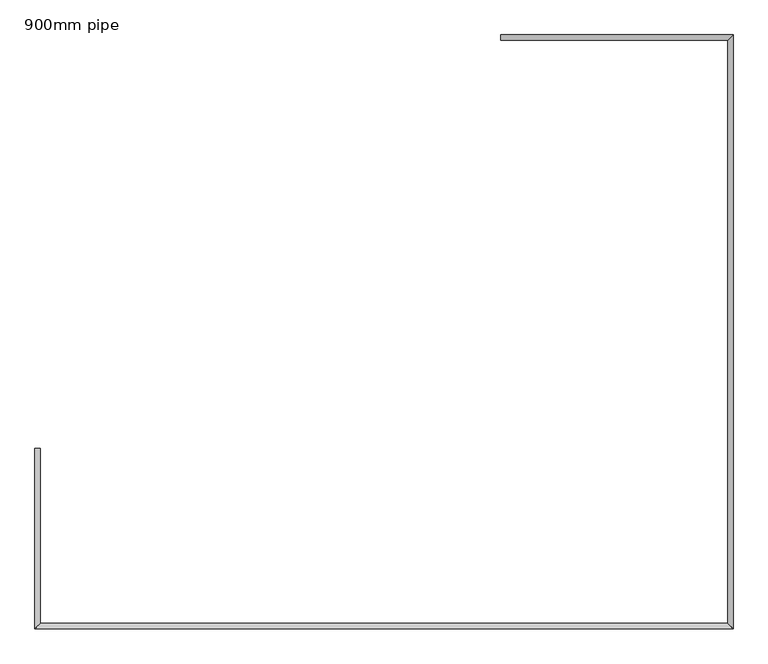
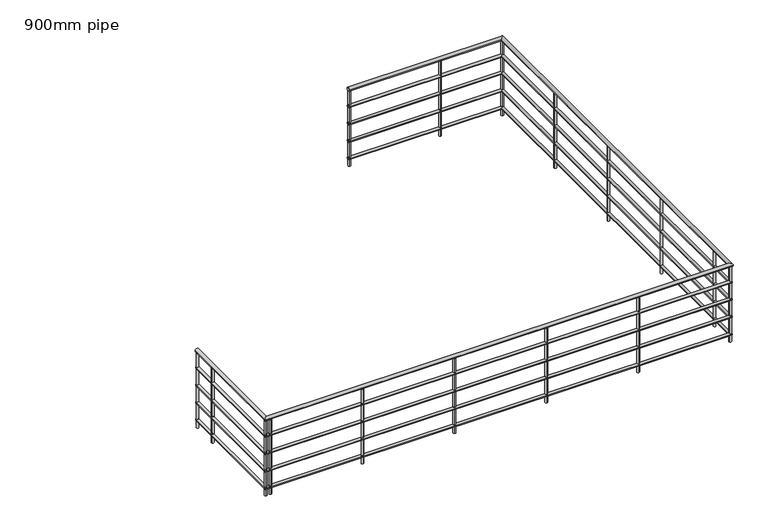
"""IFC4 building model written with IfcOpenShell, lengths in millimetres: railing geometry, 900mm pipe."""

from ifc_helpers import new_model, si_unit, point, frame, frame_2d, origin, place, context, project, spatial, circle_curve, ellipse_curve, trimmed, segment, composite_curve, outline, extrude, source, transform, mapped, element, save
from ifc_brep_helpers import plane_surface, cylinder_surface, advanced_brep


def railing_900mm_pipe_a87001c2(model_context):
    return source(origin(), model_context, "Body", "SolidModel", [
        advanced_brep(
        [(1040.1684913, -2718.8730545, 3880.0), (1040.1684913, -2758.8730545, 3880.0), (2735.1684913, -2718.8730545, 3880.0), (2695.1684913, -2758.8730545, 3880.0), (2735.1684913, -7052.8730545, 3880.0), (2695.1684913, -7012.8730545, 3880.0), (-2354.8315087, -7052.8730545, 3880.0), (-2314.8315087, -7012.8730545, 3880.0), (-2354.8315087, -5735.8730545, 3880.0), (-2314.8315087, -5735.8730545, 3880.0)],
        [
            (0, 1, circle_curve(frame((1040.1684913, -2738.8730545, 3880.0), z_axis=(-1.0, 0.0, 0.0), x_axis=(0.0, -1.0, 0.0)), 20.0)),
            (1, 0, circle_curve(frame((1040.1684913, -2738.8730545, 3880.0), z_axis=(-1.0, 0.0, 0.0), x_axis=(0.0, -1.0, 0.0)), 20.0)),
            (0, 2),
            (2, 3, ellipse_curve(frame((2715.1684913, -2738.8730545, 3880.0), z_axis=(-0.7071067811865458, 0.7071067811865492, 0.0), x_axis=(-0.7071067811865492, -0.7071067811865458, 0.0)), 28.2842712, 20.0)),
            (3, 1),
            (3, 2, ellipse_curve(frame((2715.1684913, -2738.8730545, 3880.0), z_axis=(-0.7071067811865458, 0.7071067811865492, 0.0), x_axis=(-0.7071067811865492, -0.7071067811865458, 0.0)), 28.2842712, 20.0)),
            (2, 4),
            (4, 5, ellipse_curve(frame((2715.1684913, -7032.8730545, 3880.0), z_axis=(0.7071067811865492, 0.7071067811865457, 0.0), x_axis=(-0.7071067811865456, 0.7071067811865495, 0.0)), 28.2842712, 20.0)),
            (5, 3),
            (5, 4, ellipse_curve(frame((2715.1684913, -7032.8730545, 3880.0), z_axis=(0.7071067811865492, 0.7071067811865457, 0.0), x_axis=(-0.7071067811865456, 0.7071067811865495, 0.0)), 28.2842712, 20.0)),
            (4, 6),
            (6, 7, ellipse_curve(frame((-2334.8315087, -7032.8730545, 3880.0), z_axis=(0.7071067811865457, -0.7071067811865495, 0.0), x_axis=(0.7071067811865493, 0.7071067811865457, 0.0)), 28.2842712, 20.0)),
            (7, 5),
            (7, 6, ellipse_curve(frame((-2334.8315087, -7032.8730545, 3880.0), z_axis=(0.7071067811865457, -0.7071067811865495, 0.0), x_axis=(0.7071067811865493, 0.7071067811865457, 0.0)), 28.2842712, 20.0)),
            (8, 9, circle_curve(frame((-2334.8315087, -5735.8730545, 3880.0), z_axis=(0.0, 1.0, 0.0), x_axis=(1.0, 0.0, 0.0)), 20.0)),
            (9, 8, circle_curve(frame((-2334.8315087, -5735.8730545, 3880.0), z_axis=(0.0, 1.0, 0.0), x_axis=(1.0, 0.0, 0.0)), 20.0)),
            (6, 8),
            (9, 7),
        ],
        [
            plane_surface(frame((1040.1684913, -2738.8730545, 3900.0), z_axis=(-1.0, 0.0, 0.0), x_axis=(0.0, 1.0, 0.0))),
            cylinder_surface(frame((1040.1684913, -2738.8730545, 3880.0), z_axis=(-1.0, 0.0, 0.0), x_axis=(0.0, -1.0, 0.0)), 20.0),
            cylinder_surface(frame((2715.1684913, -2738.8730545, 3880.0), z_axis=(0.0, 1.0, 0.0), x_axis=(-1.0, 0.0, 0.0)), 20.0),
            cylinder_surface(frame((2715.1684913, -7032.8730545, 3880.0), z_axis=(1.0, 0.0, 0.0), x_axis=(0.0, 1.0, 0.0)), 20.0),
            plane_surface(frame((-2334.8315087, -5735.8730545, 3900.0), z_axis=(0.0, 1.0, 0.0), x_axis=(0.0, 0.0, 1.0))),
            cylinder_surface(frame((-2334.8315087, -7032.8730545, 3880.0), z_axis=(0.0, -1.0, 0.0), x_axis=(1.0, 0.0, 0.0)), 20.0),
        ],
        [
            (0, [[1, 2]]),
            (1, [[-1, 3, 4, 5]]),
            (1, [[-2, -5, 6, -3]]),
            (2, [[-4, 7, 8, 9]]),
            (2, [[-6, -9, 10, -7]]),
            (3, [[-8, 11, 12, 13]]),
            (3, [[-10, -13, 14, -11]]),
            (4, [[15, 16]]),
            (5, [[-12, 17, -16, 18]]),
            (5, [[-14, -18, -15, -17]]),
        ],
    ),
        advanced_brep(
        [(1040.1684913, -2723.8730545, 3685.0), (1040.1684913, -2753.8730545, 3685.0), (2730.1684913, -2723.8730545, 3685.0), (2700.1684913, -2753.8730545, 3685.0), (2730.1684913, -7047.8730545, 3685.0), (2700.1684913, -7017.8730545, 3685.0), (-2349.8315087, -7047.8730545, 3685.0), (-2319.8315087, -7017.8730545, 3685.0), (-2349.8315087, -5735.8730545, 3685.0), (-2319.8315087, -5735.8730545, 3685.0)],
        [
            (0, 1, circle_curve(frame((1040.1684913, -2738.8730545, 3685.0), z_axis=(-1.0, 0.0, 0.0), x_axis=(0.0, -1.0, 0.0)), 15.0)),
            (1, 0, circle_curve(frame((1040.1684913, -2738.8730545, 3685.0), z_axis=(-1.0, 0.0, 0.0), x_axis=(0.0, -1.0, 0.0)), 15.0)),
            (0, 2),
            (2, 3, ellipse_curve(frame((2715.1684913, -2738.8730545, 3685.0), z_axis=(-0.7071067811865458, 0.7071067811865492, 0.0), x_axis=(-0.7071067811865492, -0.7071067811865458, 0.0)), 21.2132034, 15.0)),
            (3, 1),
            (3, 2, ellipse_curve(frame((2715.1684913, -2738.8730545, 3685.0), z_axis=(-0.7071067811865458, 0.7071067811865492, 0.0), x_axis=(-0.7071067811865492, -0.7071067811865458, 0.0)), 21.2132034, 15.0)),
            (2, 4),
            (4, 5, ellipse_curve(frame((2715.1684913, -7032.8730545, 3685.0), z_axis=(0.7071067811865492, 0.7071067811865457, 0.0), x_axis=(-0.7071067811865456, 0.7071067811865495, 0.0)), 21.2132034, 15.0)),
            (5, 3),
            (5, 4, ellipse_curve(frame((2715.1684913, -7032.8730545, 3685.0), z_axis=(0.7071067811865492, 0.7071067811865457, 0.0), x_axis=(-0.7071067811865456, 0.7071067811865495, 0.0)), 21.2132034, 15.0)),
            (4, 6),
            (6, 7, ellipse_curve(frame((-2334.8315087, -7032.8730545, 3685.0), z_axis=(0.7071067811865457, -0.7071067811865495, 0.0), x_axis=(0.7071067811865493, 0.7071067811865457, 0.0)), 21.2132034, 15.0)),
            (7, 5),
            (7, 6, ellipse_curve(frame((-2334.8315087, -7032.8730545, 3685.0), z_axis=(0.7071067811865457, -0.7071067811865495, 0.0), x_axis=(0.7071067811865493, 0.7071067811865457, 0.0)), 21.2132034, 15.0)),
            (8, 9, circle_curve(frame((-2334.8315087, -5735.8730545, 3685.0), z_axis=(0.0, 1.0, 0.0), x_axis=(1.0, 0.0, 0.0)), 15.0)),
            (9, 8, circle_curve(frame((-2334.8315087, -5735.8730545, 3685.0), z_axis=(0.0, 1.0, 0.0), x_axis=(1.0, 0.0, 0.0)), 15.0)),
            (6, 8),
            (9, 7),
        ],
        [
            plane_surface(frame((1040.1684913, -2738.8730545, 3700.0), z_axis=(-1.0, 0.0, 0.0), x_axis=(0.0, 1.0, 0.0))),
            cylinder_surface(frame((1040.1684913, -2738.8730545, 3685.0), z_axis=(-1.0, 0.0, 0.0), x_axis=(0.0, -1.0, 0.0)), 15.0),
            cylinder_surface(frame((2715.1684913, -2738.8730545, 3685.0), z_axis=(0.0, 1.0, 0.0), x_axis=(-1.0, 0.0, 0.0)), 15.0),
            cylinder_surface(frame((2715.1684913, -7032.8730545, 3685.0), z_axis=(1.0, 0.0, 0.0), x_axis=(0.0, 1.0, 0.0)), 15.0),
            plane_surface(frame((-2334.8315087, -5735.8730545, 3700.0), z_axis=(0.0, 1.0, 0.0), x_axis=(0.0, 0.0, 1.0))),
            cylinder_surface(frame((-2334.8315087, -7032.8730545, 3685.0), z_axis=(0.0, -1.0, 0.0), x_axis=(1.0, 0.0, 0.0)), 15.0),
        ],
        [
            (0, [[1, 2]]),
            (1, [[-1, 3, 4, 5]]),
            (1, [[-2, -5, 6, -3]]),
            (2, [[-4, 7, 8, 9]]),
            (2, [[-6, -9, 10, -7]]),
            (3, [[-8, 11, 12, 13]]),
            (3, [[-10, -13, 14, -11]]),
            (4, [[15, 16]]),
            (5, [[-12, 17, -16, 18]]),
            (5, [[-14, -18, -15, -17]]),
        ],
    ),
        advanced_brep(
        [(1040.1684913, -2723.8730545, 3485.0), (1040.1684913, -2753.8730545, 3485.0), (2730.1684913, -2723.8730545, 3485.0), (2700.1684913, -2753.8730545, 3485.0), (2730.1684913, -7047.8730545, 3485.0), (2700.1684913, -7017.8730545, 3485.0), (-2349.8315087, -7047.8730545, 3485.0), (-2319.8315087, -7017.8730545, 3485.0), (-2349.8315087, -5735.8730545, 3485.0), (-2319.8315087, -5735.8730545, 3485.0)],
        [
            (0, 1, circle_curve(frame((1040.1684913, -2738.8730545, 3485.0), z_axis=(-1.0, 0.0, 0.0), x_axis=(0.0, -1.0, 0.0)), 15.0)),
            (1, 0, circle_curve(frame((1040.1684913, -2738.8730545, 3485.0), z_axis=(-1.0, 0.0, 0.0), x_axis=(0.0, -1.0, 0.0)), 15.0)),
            (0, 2),
            (2, 3, ellipse_curve(frame((2715.1684913, -2738.8730545, 3485.0), z_axis=(-0.7071067811865458, 0.7071067811865492, 0.0), x_axis=(-0.7071067811865492, -0.7071067811865458, 0.0)), 21.2132034, 15.0)),
            (3, 1),
            (3, 2, ellipse_curve(frame((2715.1684913, -2738.8730545, 3485.0), z_axis=(-0.7071067811865458, 0.7071067811865492, 0.0), x_axis=(-0.7071067811865492, -0.7071067811865458, 0.0)), 21.2132034, 15.0)),
            (2, 4),
            (4, 5, ellipse_curve(frame((2715.1684913, -7032.8730545, 3485.0), z_axis=(0.7071067811865492, 0.7071067811865457, 0.0), x_axis=(-0.7071067811865456, 0.7071067811865495, 0.0)), 21.2132034, 15.0)),
            (5, 3),
            (5, 4, ellipse_curve(frame((2715.1684913, -7032.8730545, 3485.0), z_axis=(0.7071067811865492, 0.7071067811865457, 0.0), x_axis=(-0.7071067811865456, 0.7071067811865495, 0.0)), 21.2132034, 15.0)),
            (4, 6),
            (6, 7, ellipse_curve(frame((-2334.8315087, -7032.8730545, 3485.0), z_axis=(0.7071067811865457, -0.7071067811865495, 0.0), x_axis=(0.7071067811865493, 0.7071067811865457, 0.0)), 21.2132034, 15.0)),
            (7, 5),
            (7, 6, ellipse_curve(frame((-2334.8315087, -7032.8730545, 3485.0), z_axis=(0.7071067811865457, -0.7071067811865495, 0.0), x_axis=(0.7071067811865493, 0.7071067811865457, 0.0)), 21.2132034, 15.0)),
            (8, 9, circle_curve(frame((-2334.8315087, -5735.8730545, 3485.0), z_axis=(0.0, 1.0, 0.0), x_axis=(1.0, 0.0, 0.0)), 15.0)),
            (9, 8, circle_curve(frame((-2334.8315087, -5735.8730545, 3485.0), z_axis=(0.0, 1.0, 0.0), x_axis=(1.0, 0.0, 0.0)), 15.0)),
            (6, 8),
            (9, 7),
        ],
        [
            plane_surface(frame((1040.1684913, -2738.8730545, 3500.0), z_axis=(-1.0, 0.0, 0.0), x_axis=(0.0, 1.0, 0.0))),
            cylinder_surface(frame((1040.1684913, -2738.8730545, 3485.0), z_axis=(-1.0, 0.0, 0.0), x_axis=(0.0, -1.0, 0.0)), 15.0),
            cylinder_surface(frame((2715.1684913, -2738.8730545, 3485.0), z_axis=(0.0, 1.0, 0.0), x_axis=(-1.0, 0.0, 0.0)), 15.0),
            cylinder_surface(frame((2715.1684913, -7032.8730545, 3485.0), z_axis=(1.0, 0.0, 0.0), x_axis=(0.0, 1.0, 0.0)), 15.0),
            plane_surface(frame((-2334.8315087, -5735.8730545, 3500.0), z_axis=(0.0, 1.0, 0.0), x_axis=(0.0, 0.0, 1.0))),
            cylinder_surface(frame((-2334.8315087, -7032.8730545, 3485.0), z_axis=(0.0, -1.0, 0.0), x_axis=(1.0, 0.0, 0.0)), 15.0),
        ],
        [
            (0, [[1, 2]]),
            (1, [[-1, 3, 4, 5]]),
            (1, [[-2, -5, 6, -3]]),
            (2, [[-4, 7, 8, 9]]),
            (2, [[-6, -9, 10, -7]]),
            (3, [[-8, 11, 12, 13]]),
            (3, [[-10, -13, 14, -11]]),
            (4, [[15, 16]]),
            (5, [[-12, 17, -16, 18]]),
            (5, [[-14, -18, -15, -17]]),
        ],
    ),
        advanced_brep(
        [(1040.1684913, -2723.8730545, 3285.0), (1040.1684913, -2753.8730545, 3285.0), (2730.1684913, -2723.8730545, 3285.0), (2700.1684913, -2753.8730545, 3285.0), (2730.1684913, -7047.8730545, 3285.0), (2700.1684913, -7017.8730545, 3285.0), (-2349.8315087, -7047.8730545, 3285.0), (-2319.8315087, -7017.8730545, 3285.0), (-2349.8315087, -5735.8730545, 3285.0), (-2319.8315087, -5735.8730545, 3285.0)],
        [
            (0, 1, circle_curve(frame((1040.1684913, -2738.8730545, 3285.0), z_axis=(-1.0, 0.0, 0.0), x_axis=(0.0, -1.0, 0.0)), 15.0)),
            (1, 0, circle_curve(frame((1040.1684913, -2738.8730545, 3285.0), z_axis=(-1.0, 0.0, 0.0), x_axis=(0.0, -1.0, 0.0)), 15.0)),
            (0, 2),
            (2, 3, ellipse_curve(frame((2715.1684913, -2738.8730545, 3285.0), z_axis=(-0.7071067811865458, 0.7071067811865492, 0.0), x_axis=(-0.7071067811865492, -0.7071067811865458, 0.0)), 21.2132034, 15.0)),
            (3, 1),
            (3, 2, ellipse_curve(frame((2715.1684913, -2738.8730545, 3285.0), z_axis=(-0.7071067811865458, 0.7071067811865492, 0.0), x_axis=(-0.7071067811865492, -0.7071067811865458, 0.0)), 21.2132034, 15.0)),
            (2, 4),
            (4, 5, ellipse_curve(frame((2715.1684913, -7032.8730545, 3285.0), z_axis=(0.7071067811865492, 0.7071067811865457, 0.0), x_axis=(-0.7071067811865456, 0.7071067811865495, 0.0)), 21.2132034, 15.0)),
            (5, 3),
            (5, 4, ellipse_curve(frame((2715.1684913, -7032.8730545, 3285.0), z_axis=(0.7071067811865492, 0.7071067811865457, 0.0), x_axis=(-0.7071067811865456, 0.7071067811865495, 0.0)), 21.2132034, 15.0)),
            (4, 6),
            (6, 7, ellipse_curve(frame((-2334.8315087, -7032.8730545, 3285.0), z_axis=(0.7071067811865457, -0.7071067811865495, 0.0), x_axis=(0.7071067811865493, 0.7071067811865457, 0.0)), 21.2132034, 15.0)),
            (7, 5),
            (7, 6, ellipse_curve(frame((-2334.8315087, -7032.8730545, 3285.0), z_axis=(0.7071067811865457, -0.7071067811865495, 0.0), x_axis=(0.7071067811865493, 0.7071067811865457, 0.0)), 21.2132034, 15.0)),
            (8, 9, circle_curve(frame((-2334.8315087, -5735.8730545, 3285.0), z_axis=(0.0, 1.0, 0.0), x_axis=(1.0, 0.0, 0.0)), 15.0)),
            (9, 8, circle_curve(frame((-2334.8315087, -5735.8730545, 3285.0), z_axis=(0.0, 1.0, 0.0), x_axis=(1.0, 0.0, 0.0)), 15.0)),
            (6, 8),
            (9, 7),
        ],
        [
            plane_surface(frame((1040.1684913, -2738.8730545, 3300.0), z_axis=(-1.0, 0.0, 0.0), x_axis=(0.0, 1.0, 0.0))),
            cylinder_surface(frame((1040.1684913, -2738.8730545, 3285.0), z_axis=(-1.0, 0.0, 0.0), x_axis=(0.0, -1.0, 0.0)), 15.0),
            cylinder_surface(frame((2715.1684913, -2738.8730545, 3285.0), z_axis=(0.0, 1.0, 0.0), x_axis=(-1.0, 0.0, 0.0)), 15.0),
            cylinder_surface(frame((2715.1684913, -7032.8730545, 3285.0), z_axis=(1.0, 0.0, 0.0), x_axis=(0.0, 1.0, 0.0)), 15.0),
            plane_surface(frame((-2334.8315087, -5735.8730545, 3300.0), z_axis=(0.0, 1.0, 0.0), x_axis=(0.0, 0.0, 1.0))),
            cylinder_surface(frame((-2334.8315087, -7032.8730545, 3285.0), z_axis=(0.0, -1.0, 0.0), x_axis=(1.0, 0.0, 0.0)), 15.0),
        ],
        [
            (0, [[1, 2]]),
            (1, [[-1, 3, 4, 5]]),
            (1, [[-2, -5, 6, -3]]),
            (2, [[-4, 7, 8, 9]]),
            (2, [[-6, -9, 10, -7]]),
            (3, [[-8, 11, 12, 13]]),
            (3, [[-10, -13, 14, -11]]),
            (4, [[15, 16]]),
            (5, [[-12, 17, -16, 18]]),
            (5, [[-14, -18, -15, -17]]),
        ],
    ),
        advanced_brep(
        [(1040.1684913, -2723.8730545, 3085.0), (1040.1684913, -2753.8730545, 3085.0), (2730.1684913, -2723.8730545, 3085.0), (2700.1684913, -2753.8730545, 3085.0), (2730.1684913, -7047.8730545, 3085.0), (2700.1684913, -7017.8730545, 3085.0), (-2349.8315087, -7047.8730545, 3085.0), (-2319.8315087, -7017.8730545, 3085.0), (-2349.8315087, -5735.8730545, 3085.0), (-2319.8315087, -5735.8730545, 3085.0)],
        [
            (0, 1, circle_curve(frame((1040.1684913, -2738.8730545, 3085.0), z_axis=(-1.0, 0.0, 0.0), x_axis=(0.0, -1.0, 0.0)), 15.0)),
            (1, 0, circle_curve(frame((1040.1684913, -2738.8730545, 3085.0), z_axis=(-1.0, 0.0, 0.0), x_axis=(0.0, -1.0, 0.0)), 15.0)),
            (0, 2),
            (2, 3, ellipse_curve(frame((2715.1684913, -2738.8730545, 3085.0), z_axis=(-0.7071067811865458, 0.7071067811865492, 0.0), x_axis=(-0.7071067811865492, -0.7071067811865458, 0.0)), 21.2132034, 15.0)),
            (3, 1),
            (3, 2, ellipse_curve(frame((2715.1684913, -2738.8730545, 3085.0), z_axis=(-0.7071067811865458, 0.7071067811865492, 0.0), x_axis=(-0.7071067811865492, -0.7071067811865458, 0.0)), 21.2132034, 15.0)),
            (2, 4),
            (4, 5, ellipse_curve(frame((2715.1684913, -7032.8730545, 3085.0), z_axis=(0.7071067811865492, 0.7071067811865457, 0.0), x_axis=(-0.7071067811865456, 0.7071067811865495, 0.0)), 21.2132034, 15.0)),
            (5, 3),
            (5, 4, ellipse_curve(frame((2715.1684913, -7032.8730545, 3085.0), z_axis=(0.7071067811865492, 0.7071067811865457, 0.0), x_axis=(-0.7071067811865456, 0.7071067811865495, 0.0)), 21.2132034, 15.0)),
            (4, 6),
            (6, 7, ellipse_curve(frame((-2334.8315087, -7032.8730545, 3085.0), z_axis=(0.7071067811865457, -0.7071067811865495, 0.0), x_axis=(0.7071067811865493, 0.7071067811865457, 0.0)), 21.2132034, 15.0)),
            (7, 5),
            (7, 6, ellipse_curve(frame((-2334.8315087, -7032.8730545, 3085.0), z_axis=(0.7071067811865457, -0.7071067811865495, 0.0), x_axis=(0.7071067811865493, 0.7071067811865457, 0.0)), 21.2132034, 15.0)),
            (8, 9, circle_curve(frame((-2334.8315087, -5735.8730545, 3085.0), z_axis=(0.0, 1.0, 0.0), x_axis=(1.0, 0.0, 0.0)), 15.0)),
            (9, 8, circle_curve(frame((-2334.8315087, -5735.8730545, 3085.0), z_axis=(0.0, 1.0, 0.0), x_axis=(1.0, 0.0, 0.0)), 15.0)),
            (6, 8),
            (9, 7),
        ],
        [
            plane_surface(frame((1040.1684913, -2738.8730545, 3100.0), z_axis=(-1.0, 0.0, 0.0), x_axis=(0.0, 1.0, 0.0))),
            cylinder_surface(frame((1040.1684913, -2738.8730545, 3085.0), z_axis=(-1.0, 0.0, 0.0), x_axis=(0.0, -1.0, 0.0)), 15.0),
            cylinder_surface(frame((2715.1684913, -2738.8730545, 3085.0), z_axis=(0.0, 1.0, 0.0), x_axis=(-1.0, 0.0, 0.0)), 15.0),
            cylinder_surface(frame((2715.1684913, -7032.8730545, 3085.0), z_axis=(1.0, 0.0, 0.0), x_axis=(0.0, 1.0, 0.0)), 15.0),
            plane_surface(frame((-2334.8315087, -5735.8730545, 3100.0), z_axis=(0.0, 1.0, 0.0), x_axis=(0.0, 0.0, 1.0))),
            cylinder_surface(frame((-2334.8315087, -7032.8730545, 3085.0), z_axis=(0.0, -1.0, 0.0), x_axis=(1.0, 0.0, 0.0)), 15.0),
        ],
        [
            (0, [[1, 2]]),
            (1, [[-1, 3, 4, 5]]),
            (1, [[-2, -5, 6, -3]]),
            (2, [[-4, 7, 8, 9]]),
            (2, [[-6, -9, 10, -7]]),
            (3, [[-8, 11, 12, 13]]),
            (3, [[-10, -13, 14, -11]]),
            (4, [[15, 16]]),
            (5, [[-12, 17, -16, 18]]),
            (5, [[-14, -18, -15, -17]]),
        ],
    ),
        extrude(outline(composite_curve([segment(trimmed(circle_curve(frame_2d((-2334.8315087, -6032.8730545)), 12.5), [point((-2347.3315087, -6032.8730545))], [point((-2322.3315087, -6032.8730545))], False, "CARTESIAN"), True, "CONTINUOUS"), segment(trimmed(circle_curve(frame_2d((-2334.8315087, -6032.8730545)), 12.5), [point((-2322.3315087, -6032.8730545))], [point((-2347.3315087, -6032.8730545))], False, "CARTESIAN"), True, "CONTINUOUS")], self_intersect=False)), frame((0.0, 0.0, 3000.0), z_axis=(0.0, 0.0, 1.0), x_axis=(1.0, 0.0, 0.0)), (0.0, 0.0, 1.0), 860.0),
        extrude(outline(composite_curve([segment(trimmed(circle_curve(frame_2d((-2284.8315087, -7032.8730545)), 12.5), [point((-2284.8315087, -7045.3730545))], [point((-2284.8315087, -7020.3730545))], False, "CARTESIAN"), True, "CONTINUOUS"), segment(trimmed(circle_curve(frame_2d((-2284.8315087, -7032.8730545)), 12.5), [point((-2284.8315087, -7020.3730545))], [point((-2284.8315087, -7045.3730545))], False, "CARTESIAN"), True, "CONTINUOUS")], self_intersect=False)), frame((0.0, 0.0, 3000.0), z_axis=(0.0, 0.0, 1.0), x_axis=(1.0, 0.0, 0.0)), (0.0, 0.0, 1.0), 860.0),
        extrude(outline(composite_curve([segment(trimmed(circle_curve(frame_2d((-1284.8315087, -7032.8730545)), 12.5), [point((-1284.8315087, -7045.3730545))], [point((-1284.8315087, -7020.3730545))], False, "CARTESIAN"), True, "CONTINUOUS"), segment(trimmed(circle_curve(frame_2d((-1284.8315087, -7032.8730545)), 12.5), [point((-1284.8315087, -7020.3730545))], [point((-1284.8315087, -7045.3730545))], False, "CARTESIAN"), True, "CONTINUOUS")], self_intersect=False)), frame((0.0, 0.0, 3000.0), z_axis=(0.0, 0.0, 1.0), x_axis=(1.0, 0.0, 0.0)), (0.0, 0.0, 1.0), 860.0),
        extrude(outline(composite_curve([segment(trimmed(circle_curve(frame_2d((-284.8315087, -7032.8730545)), 12.5), [point((-284.8315087, -7045.3730545))], [point((-284.8315087, -7020.3730545))], False, "CARTESIAN"), True, "CONTINUOUS"), segment(trimmed(circle_curve(frame_2d((-284.8315087, -7032.8730545)), 12.5), [point((-284.8315087, -7020.3730545))], [point((-284.8315087, -7045.3730545))], False, "CARTESIAN"), True, "CONTINUOUS")], self_intersect=False)), frame((0.0, 0.0, 3000.0), z_axis=(0.0, 0.0, 1.0), x_axis=(1.0, 0.0, 0.0)), (0.0, 0.0, 1.0), 860.0),
        extrude(outline(composite_curve([segment(trimmed(circle_curve(frame_2d((715.1684913, -7032.8730545)), 12.5), [point((715.1684913, -7045.3730545))], [point((715.1684913, -7020.3730545))], False, "CARTESIAN"), True, "CONTINUOUS"), segment(trimmed(circle_curve(frame_2d((715.1684913, -7032.8730545)), 12.5), [point((715.1684913, -7020.3730545))], [point((715.1684913, -7045.3730545))], False, "CARTESIAN"), True, "CONTINUOUS")], self_intersect=False)), frame((0.0, 0.0, 3000.0), z_axis=(0.0, 0.0, 1.0), x_axis=(1.0, 0.0, 0.0)), (0.0, 0.0, 1.0), 860.0),
        extrude(outline(composite_curve([segment(trimmed(circle_curve(frame_2d((1715.1684913, -7032.8730545)), 12.5), [point((1715.1684913, -7045.3730545))], [point((1715.1684913, -7020.3730545))], False, "CARTESIAN"), True, "CONTINUOUS"), segment(trimmed(circle_curve(frame_2d((1715.1684913, -7032.8730545)), 12.5), [point((1715.1684913, -7020.3730545))], [point((1715.1684913, -7045.3730545))], False, "CARTESIAN"), True, "CONTINUOUS")], self_intersect=False)), frame((0.0, 0.0, 3000.0), z_axis=(0.0, 0.0, 1.0), x_axis=(1.0, 0.0, 0.0)), (0.0, 0.0, 1.0), 860.0),
        extrude(outline(composite_curve([segment(trimmed(circle_curve(frame_2d((2715.1684913, -6738.8730545)), 12.5), [point((2727.6684913, -6738.8730545))], [point((2702.6684913, -6738.8730545))], False, "CARTESIAN"), True, "CONTINUOUS"), segment(trimmed(circle_curve(frame_2d((2715.1684913, -6738.8730545)), 12.5), [point((2702.6684913, -6738.8730545))], [point((2727.6684913, -6738.8730545))], False, "CARTESIAN"), True, "CONTINUOUS")], self_intersect=False)), frame((0.0, 0.0, 3000.0), z_axis=(0.0, 0.0, 1.0), x_axis=(1.0, 0.0, 0.0)), (0.0, 0.0, 1.0), 860.0),
        extrude(outline(composite_curve([segment(trimmed(circle_curve(frame_2d((2715.1684913, -5738.8730545)), 12.5), [point((2727.6684913, -5738.8730545))], [point((2702.6684913, -5738.8730545))], False, "CARTESIAN"), True, "CONTINUOUS"), segment(trimmed(circle_curve(frame_2d((2715.1684913, -5738.8730545)), 12.5), [point((2702.6684913, -5738.8730545))], [point((2727.6684913, -5738.8730545))], False, "CARTESIAN"), True, "CONTINUOUS")], self_intersect=False)), frame((0.0, 0.0, 3000.0), z_axis=(0.0, 0.0, 1.0), x_axis=(1.0, 0.0, 0.0)), (0.0, 0.0, 1.0), 860.0),
        extrude(outline(composite_curve([segment(trimmed(circle_curve(frame_2d((2715.1684913, -4738.8730545)), 12.5), [point((2727.6684913, -4738.8730545))], [point((2702.6684913, -4738.8730545))], False, "CARTESIAN"), True, "CONTINUOUS"), segment(trimmed(circle_curve(frame_2d((2715.1684913, -4738.8730545)), 12.5), [point((2702.6684913, -4738.8730545))], [point((2727.6684913, -4738.8730545))], False, "CARTESIAN"), True, "CONTINUOUS")], self_intersect=False)), frame((0.0, 0.0, 3000.0), z_axis=(0.0, 0.0, 1.0), x_axis=(1.0, 0.0, 0.0)), (0.0, 0.0, 1.0), 860.0),
        extrude(outline(composite_curve([segment(trimmed(circle_curve(frame_2d((2715.1684913, -3738.8730545)), 12.5), [point((2727.6684913, -3738.8730545))], [point((2702.6684913, -3738.8730545))], False, "CARTESIAN"), True, "CONTINUOUS"), segment(trimmed(circle_curve(frame_2d((2715.1684913, -3738.8730545)), 12.5), [point((2702.6684913, -3738.8730545))], [point((2727.6684913, -3738.8730545))], False, "CARTESIAN"), True, "CONTINUOUS")], self_intersect=False)), frame((0.0, 0.0, 3000.0), z_axis=(0.0, 0.0, 1.0), x_axis=(1.0, 0.0, 0.0)), (0.0, 0.0, 1.0), 860.0),
        extrude(outline(composite_curve([segment(trimmed(circle_curve(frame_2d((2040.1684913, -2738.8730545)), 12.5), [point((2040.1684913, -2726.3730545))], [point((2040.1684913, -2751.3730545))], False, "CARTESIAN"), True, "CONTINUOUS"), segment(trimmed(circle_curve(frame_2d((2040.1684913, -2738.8730545)), 12.5), [point((2040.1684913, -2751.3730545))], [point((2040.1684913, -2726.3730545))], False, "CARTESIAN"), True, "CONTINUOUS")], self_intersect=False)), frame((0.0, 0.0, 3000.0), z_axis=(0.0, 0.0, 1.0), x_axis=(1.0, 0.0, 0.0)), (0.0, 0.0, 1.0), 860.0),
        extrude(outline(composite_curve([segment(trimmed(circle_curve(frame_2d((-2334.8315087, -7032.8730545)), 12.5), [point((-2334.8315087, -7045.3730545))], [point((-2334.8315087, -7020.3730545))], False, "CARTESIAN"), True, "CONTINUOUS"), segment(trimmed(circle_curve(frame_2d((-2334.8315087, -7032.8730545)), 12.5), [point((-2334.8315087, -7020.3730545))], [point((-2334.8315087, -7045.3730545))], False, "CARTESIAN"), True, "CONTINUOUS")], self_intersect=False)), frame((0.0, 0.0, 3000.0), z_axis=(0.0, 0.0, 1.0), x_axis=(1.0, 0.0, 0.0)), (0.0, 0.0, 1.0), 860.0),
        extrude(outline(composite_curve([segment(trimmed(circle_curve(frame_2d((2715.1684913, -7032.8730545)), 12.5), [point((2727.6684913, -7032.8730545))], [point((2702.6684913, -7032.8730545))], False, "CARTESIAN"), True, "CONTINUOUS"), segment(trimmed(circle_curve(frame_2d((2715.1684913, -7032.8730545)), 12.5), [point((2702.6684913, -7032.8730545))], [point((2727.6684913, -7032.8730545))], False, "CARTESIAN"), True, "CONTINUOUS")], self_intersect=False)), frame((0.0, 0.0, 3000.0), z_axis=(0.0, 0.0, 1.0), x_axis=(1.0, 0.0, 0.0)), (0.0, 0.0, 1.0), 860.0),
        extrude(outline(composite_curve([segment(trimmed(circle_curve(frame_2d((2715.1684913, -2738.8730545)), 12.5), [point((2715.1684913, -2726.3730545))], [point((2715.1684913, -2751.3730545))], False, "CARTESIAN"), True, "CONTINUOUS"), segment(trimmed(circle_curve(frame_2d((2715.1684913, -2738.8730545)), 12.5), [point((2715.1684913, -2751.3730545))], [point((2715.1684913, -2726.3730545))], False, "CARTESIAN"), True, "CONTINUOUS")], self_intersect=False)), frame((0.0, 0.0, 3000.0), z_axis=(0.0, 0.0, 1.0), x_axis=(1.0, 0.0, 0.0)), (0.0, 0.0, 1.0), 860.0),
        extrude(outline(composite_curve([segment(trimmed(circle_curve(frame_2d((-2334.8315087, -5748.3730545)), 12.5), [point((-2347.3315087, -5748.3730545))], [point((-2322.3315087, -5748.3730545))], False, "CARTESIAN"), True, "CONTINUOUS"), segment(trimmed(circle_curve(frame_2d((-2334.8315087, -5748.3730545)), 12.5), [point((-2322.3315087, -5748.3730545))], [point((-2347.3315087, -5748.3730545))], False, "CARTESIAN"), True, "CONTINUOUS")], self_intersect=False)), frame((0.0, 0.0, 3000.0), z_axis=(0.0, 0.0, 1.0), x_axis=(1.0, 0.0, 0.0)), (0.0, 0.0, 1.0), 860.0),
        extrude(outline(composite_curve([segment(trimmed(circle_curve(frame_2d((1052.6684913, -2738.8730545)), 12.5), [point((1052.6684913, -2726.3730545))], [point((1052.6684913, -2751.3730545))], False, "CARTESIAN"), True, "CONTINUOUS"), segment(trimmed(circle_curve(frame_2d((1052.6684913, -2738.8730545)), 12.5), [point((1052.6684913, -2751.3730545))], [point((1052.6684913, -2726.3730545))], False, "CARTESIAN"), True, "CONTINUOUS")], self_intersect=False)), frame((0.0, 0.0, 3000.0), z_axis=(0.0, 0.0, 1.0), x_axis=(1.0, 0.0, 0.0)), (0.0, 0.0, 1.0), 860.0),
    ])


if __name__ == "__main__":
    model = new_model("IFC4")
    model_context = context("Model", 3, world=origin())
    ifc_project = project(units=[si_unit("LENGTHUNIT", "METRE", prefix="MILLI")], contexts=[model_context])
    site = spatial("IfcSite", under=ifc_project)
    building = spatial("IfcBuilding", under=site)
    placement = place(None, origin())
    railing_900mm_pipe_shape = railing_900mm_pipe_a87001c2(model_context)
    element("IfcRailing", 1, ObjectType="900mm pipe", at=placement, inside=building, context=model_context, shape_type="MappedRepresentation", body=[
        mapped(railing_900mm_pipe_shape, transform((0.0, 0.0, 0.0), x_axis=(1.0, 0.0, 0.0), y_axis=(0.0, 1.0, 0.0), z_axis=(0.0, 0.0, 1.0))),
    ])
    save(model, "model.ifc")
